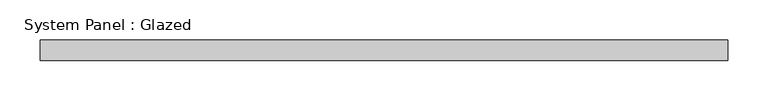
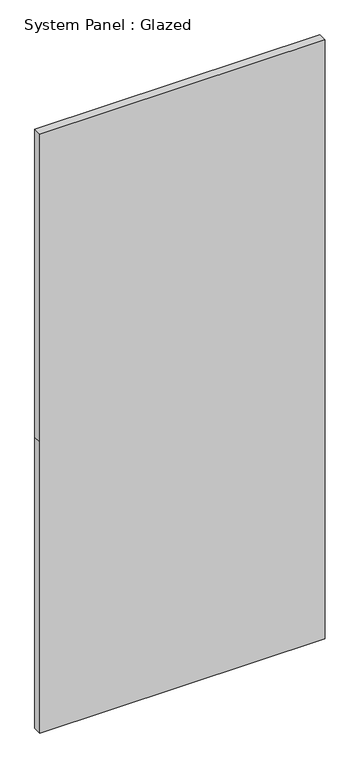
"""IFC4 building model written with IfcOpenShell, lengths in millimetres: plate geometry, System Panel : Glazed."""

import ifcopenshell
import ifcopenshell.guid

model = None  # the IFC model being written
_history = None  # IfcOwnerHistory: only IFC2X3 demands one
_inside = {}  # id of a spatial element -> (the spatial element, [elements in it])
_under = {}  # id of a project, library or spatial element -> (it, [spatial elements below it])
_declared = {}  # id of a project -> (the project, [libraries it declares])
_typed = {}  # id of a type object -> (the type object, [elements of that type])
_made_of = {}  # id of a material, layer set ... -> (it, [elements and type objects made of it])


def new_model(schema):
    """Start an empty IFC model of exactly this schema.

    Asked for "IFC4X3", IfcOpenShell would pick the latest addendum, in which some entities
    have other attributes; the version numbers below select the first issue.
    IFC2X3 requires an IfcOwnerHistory on every rooted entity: one is made here for all.
    """
    global model, _history
    if schema == "IFC4X3":
        model = ifcopenshell.file(schema_version=(4, 3, 0, 0))
    else:
        model = ifcopenshell.file(schema=schema)
    _inside.clear()
    _under.clear()
    _declared.clear()
    _typed.clear()
    _made_of.clear()
    _history = None
    if model.schema == "IFC2X3":
        org = make("IfcOrganization", Name="unknown")
        user = make(
            "IfcPersonAndOrganization",
            ThePerson=make("IfcPerson", FamilyName="unknown"),
            TheOrganization=org,
        )
        app = make(
            "IfcApplication",
            ApplicationDeveloper=org,
            Version="unknown",
            ApplicationFullName="unknown",
            ApplicationIdentifier="unknown",
        )
        _history = make(
            "IfcOwnerHistory",
            OwningUser=user,
            OwningApplication=app,
            ChangeAction="ADDED",
            CreationDate=0,
        )
    return model


def make(cls, **values):
    """One entity of the class cls with the attributes given. An attribute that is None is left unset."""
    return model.create_entity(
        cls, **{name: value for name, value in values.items() if value is not None}
    )


def rooted(cls, **values):
    """An entity with a GlobalId (a new one), such as an element, a storey or a relation."""
    return make(cls, GlobalId=ifcopenshell.guid.new(), OwnerHistory=_history, **values)


def si_unit(unit_type, name, prefix=None):
    """IfcSIUnit, for example si_unit("LENGTHUNIT", "METRE", prefix="MILLI")."""
    return make("IfcSIUnit", UnitType=unit_type, Prefix=prefix, Name=name)


def assignment(units):
    """IfcUnitAssignment: the units of a project."""
    return None if units is None else make("IfcUnitAssignment", Units=units)


def point(xyz):
    """IfcCartesianPoint."""
    return None if xyz is None else make("IfcCartesianPoint", Coordinates=xyz)


def direction(xyz):
    """IfcDirection."""
    return None if xyz is None else make("IfcDirection", DirectionRatios=xyz)


def frame(location, z_axis=None, x_axis=None):
    """IfcAxis2Placement3D, a coordinate frame: its origin and axes. An axis left out is left unset."""
    return make(
        "IfcAxis2Placement3D",
        Location=point(location),
        Axis=direction(z_axis),
        RefDirection=direction(x_axis),
    )


def origin():
    """The frame at (0, 0, 0) with its axes left unset."""
    return frame((0.0, 0.0, 0.0))


def place(relative_to, where):
    """IfcLocalPlacement: puts the frame where relative to a parent placement (None: the world)."""
    return make(
        "IfcLocalPlacement", PlacementRelTo=relative_to, RelativePlacement=where
    )


def context(
    kind, dimensions, precision=None, world=None, true_north=None, identifier=None
):
    """IfcGeometricRepresentationContext, for example the 3D "Model" context."""
    return make(
        "IfcGeometricRepresentationContext",
        ContextIdentifier=identifier,
        ContextType=kind,
        CoordinateSpaceDimension=dimensions,
        Precision=precision,
        WorldCoordinateSystem=world,
        TrueNorth=true_north,
    )


def project(units=None, contexts=None):
    """IfcProject with its units and contexts."""
    return rooted(
        "IfcProject",
        Name="project",
        RepresentationContexts=contexts,
        UnitsInContext=assignment(units),
    )


def spatial(cls, under=None, at=None, **own):
    """A site, building, storey or space (cls), placed at a placement, below another one or the project."""
    s = rooted(cls, ObjectPlacement=at, **own)
    if under is not None:
        _under.setdefault(under.id(), (under, []))[1].append(s)
    return s


def polyline(points):
    """IfcPolyline through the points."""
    return make("IfcPolyline", Points=[point(p) for p in points])


def outline(outer, holes=None, kind="AREA"):
    """IfcArbitraryClosedProfileDef: a profile drawn as a closed curve; with holes, ...WithVoids."""
    if holes is None:
        return make("IfcArbitraryClosedProfileDef", ProfileType=kind, OuterCurve=outer)
    return make(
        "IfcArbitraryProfileDefWithVoids",
        ProfileType=kind,
        OuterCurve=outer,
        InnerCurves=holes,
    )


def extrude(swept, where, along, depth):
    """IfcExtrudedAreaSolid: the profile swept, set in the frame where, extruded along a direction by depth."""
    return make(
        "IfcExtrudedAreaSolid",
        SweptArea=swept,
        Position=where,
        ExtrudedDirection=direction(along),
        Depth=depth,
    )


def shape(context_of_items, identifier, shape_type, items):
    """IfcShapeRepresentation: the items that make up one representation, for example the "Body"."""
    return make(
        "IfcShapeRepresentation",
        ContextOfItems=context_of_items,
        RepresentationIdentifier=identifier,
        RepresentationType=shape_type,
        Items=items,
    )


def source(mapping_origin, context_of_items, identifier, shape_type, items):
    """IfcRepresentationMap: a shape defined once, which mapped items show again and again."""
    return make(
        "IfcRepresentationMap",
        MappingOrigin=mapping_origin,
        MappedRepresentation=shape(context_of_items, identifier, shape_type, items),
    )


def transform(
    local_origin,
    x_axis=None,
    y_axis=None,
    z_axis=None,
    scale=None,
    scale2=None,
    scale3=None,
    uniform=True,
):
    """IfcCartesianTransformationOperator3D, or its non-uniform kind. x_axis, y_axis, z_axis: its Axis1, 2, 3."""
    if uniform:
        return make(
            "IfcCartesianTransformationOperator3D",
            Axis1=direction(x_axis),
            Axis2=direction(y_axis),
            LocalOrigin=point(local_origin),
            Scale=scale,
            Axis3=direction(z_axis),
        )
    return make(
        "IfcCartesianTransformationOperator3DnonUniform",
        Axis1=direction(x_axis),
        Axis2=direction(y_axis),
        LocalOrigin=point(local_origin),
        Scale=scale,
        Axis3=direction(z_axis),
        Scale2=scale2,
        Scale3=scale3,
    )


def mapped(mapping_source, mapping_target):
    """IfcMappedItem: shows the shape of a source again, moved by a transform."""
    return make(
        "IfcMappedItem", MappingSource=mapping_source, MappingTarget=mapping_target
    )


def made_of(thing, what):
    """Note that an element or type object is made of a material, layer set ...; save() writes the relation."""
    if what is not None:
        _made_of.setdefault(what.id(), (what, []))[1].append(thing)
    return thing


def element(
    cls,
    number,
    at=None,
    inside=None,
    cuts=None,
    type_object=None,
    material=None,
    context=None,
    identifier="Body",
    shape_type=None,
    held_by="IfcProductDefinitionShape",
    body=None,
    shapes=None,
    **own,
):
    """One element of the class cls, such as IfcWall. Its Tag is "e" and its number.

    at: its placement. inside: the storey or other place that contains it. cuts: it is an
    opening in that element (IfcRelVoidsElement). A single representation is given by context,
    identifier, shape_type and body (its items); several are given by shapes. held_by: the class
    of the entity that holds the representations. save() writes the other relations.
    """
    e = rooted(cls, Tag="e%d" % number, ObjectPlacement=at, **own)
    if body is not None:
        shapes = [shape(context, identifier, shape_type, body)]
    if shapes is not None:
        e.Representation = make(held_by, Representations=shapes)
    if inside is not None:
        _inside.setdefault(inside.id(), (inside, []))[1].append(e)
    if cuts is not None:
        rooted(
            "IfcRelVoidsElement", RelatingBuildingElement=cuts, RelatedOpeningElement=e
        )
    if type_object is not None:
        _typed.setdefault(type_object.id(), (type_object, []))[1].append(e)
    return made_of(e, material)


def aggregate(whole, parts):
    """IfcRelAggregates: a whole, such as a stair, and the parts it consists of."""
    return rooted("IfcRelAggregates", RelatingObject=whole, RelatedObjects=parts)


def save(model, path):
    """Write the relations noted so far, then the file.

    IfcRelAggregates (storeys below a building ...), IfcRelContainedInSpatialStructure (elements
    in a storey), IfcRelDefinesByType, IfcRelAssociatesMaterial and IfcRelDeclares: one each for
    every whole, place, type object, material and project.
    """
    for whole, parts in _under.values():
        aggregate(whole, parts)
    for where, things in _inside.values():
        rooted(
            "IfcRelContainedInSpatialStructure",
            RelatedElements=things,
            RelatingStructure=where,
        )
    for kind, things in _typed.values():
        rooted("IfcRelDefinesByType", RelatedObjects=things, RelatingType=kind)
    for what, things in _made_of.values():
        rooted("IfcRelAssociatesMaterial", RelatedObjects=things, RelatingMaterial=what)
    for by, libraries in _declared.values():
        rooted("IfcRelDeclares", RelatingContext=by, RelatedDefinitions=libraries)
    model.write(path)


def system_panel_glazed_8c8d6a3e(model_context):
    return source(origin(), model_context, "Body", "SweptSolid", [
        extrude(outline(polyline([(0.0, -425.0), (0.0, 425.0), (916.6666667, 425.0), (1885.0, 425.0), (1885.0, -425.0), (916.6666667, -425.0), (0.0, -425.0)])), frame((0.0, -49.5, 0.0), z_axis=(0.0, 1.0, 0.0), x_axis=(0.0, 0.0, 1.0)), (0.0, 0.0, 1.0), 25.0),
    ])


if __name__ == "__main__":
    model = new_model("IFC4")
    model_context = context("Model", 3, world=origin())
    ifc_project = project(units=[si_unit("LENGTHUNIT", "METRE", prefix="MILLI")], contexts=[model_context])
    site = spatial("IfcSite", under=ifc_project)
    building = spatial("IfcBuilding", under=site)
    placement = place(None, origin())
    system_panel_glazed_shape = system_panel_glazed_8c8d6a3e(model_context)
    element("IfcPlate", 1, ObjectType="System Panel : Glazed", at=placement, inside=building, context=model_context, shape_type="MappedRepresentation", body=[
        mapped(system_panel_glazed_shape, transform((0.0, 0.0, 0.0), x_axis=(1.0, 0.0, 0.0), y_axis=(0.0, 1.0, 0.0), z_axis=(0.0, 0.0, 1.0))),
    ])
    save(model, "model.ifc")
